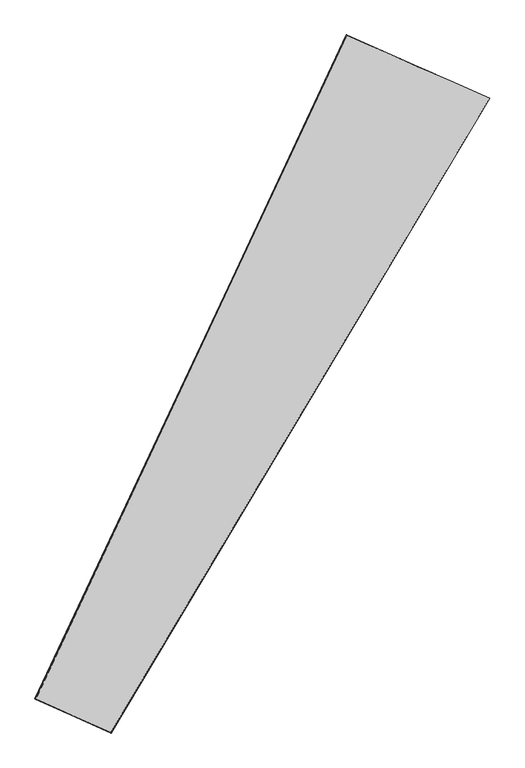
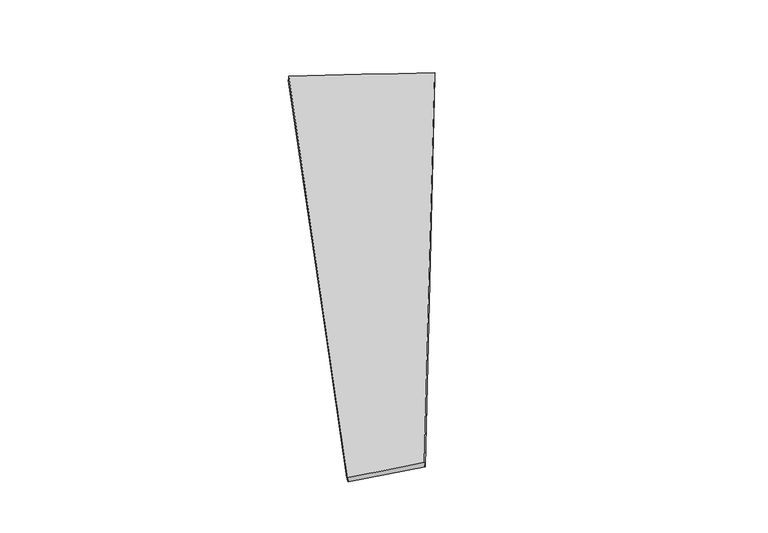
"""IFC4 building model written with IfcOpenShell, lengths in millimetres: proxy geometry."""

from ifc_helpers import new_model, si_unit, origin, place, context, project, spatial, source, transform, mapped, element, save
from ifc_brep_helpers import spline_surface, advanced_brep


def generic_models_611950ac(model_context):
    return source(origin(), model_context, "Body", "AdvancedBrep", [
        advanced_brep(
        [(-660.4907659, -1673.2432735, 38.9688433), (-657.8997631, -1675.3046963, 9.1521158), (1406.4214078, 1789.0233764, -50.6965886), (1407.3245691, 1789.0008443, -20.7101951), (-1067.6531074, -1490.9320926, -68.1937794), (625.5172887, 2133.9425116, -9.1901299), (-1074.0497961, -1488.4084162, -38.992522), (627.2159929, 2132.6508453, 20.7338738)],
        [
            (0, 1),
            (1, 2),
            (2, 3),
            (3, 0),
            (1, 4),
            (4, 5),
            (5, 2),
            (4, 6),
            (6, 7),
            (7, 5),
            (6, 0),
            (3, 7),
        ],
        [
            spline_surface(1, 1, [[(-660.4907659, -1673.2432735, 38.9688433), (1407.3245691, 1789.0008443, -20.7101951)], [(-657.8997631, -1675.3046963, 9.1521158), (1406.4214078, 1789.0233764, -50.6965886)]], [2, 2], [2, 2], [0.0, 1.0], [0.0, 1.0]),
            spline_surface(1, 1, [[(-657.8997631, -1675.3046963, 9.1521158), (1406.4214078, 1789.0233764, -50.6965886)], [(-1067.6531074, -1490.9320926, -68.1937794), (625.5172887, 2133.9425116, -9.1901299)]], [2, 2], [2, 2], [0.0, 1.0], [0.0, 1.0]),
            spline_surface(1, 1, [[(-1067.6531074, -1490.9320926, -68.1937794), (625.5172887, 2133.9425116, -9.1901299)], [(-1074.0497961, -1488.4084162, -38.992522), (627.2159929, 2132.6508453, 20.7338738)]], [2, 2], [2, 2], [0.0, 1.0], [0.0, 1.0]),
            spline_surface(1, 1, [[(-1074.0497961, -1488.4084162, -38.992522), (627.2159929, 2132.6508453, 20.7338738)], [(-660.4907659, -1673.2432735, 38.9688433), (1407.3245691, 1789.0008443, -20.7101951)]], [2, 2], [2, 2], [0.0, 1.0], [0.0, 1.0]),
            spline_surface(1, 1, [[(1406.4214078, 1789.0233764, -50.6965886), (1407.3245691, 1789.0008443, -20.7101951)], [(625.5172887, 2133.9425116, -9.1901299), (627.2159929, 2132.6508453, 20.7338738)]], [2, 2], [2, 2], [0.0, 1.0], [0.0, 1.0]),
            spline_surface(1, 1, [[(-1074.0497961, -1488.4084162, -38.992522), (-660.4907659, -1673.2432735, 38.9688433)], [(-1067.6531074, -1490.9320926, -68.1937794), (-657.8997631, -1675.3046963, 9.1521158)]], [2, 2], [2, 2], [0.0, 1.0], [0.0, 1.0]),
        ],
        [
            (0, [[1, 2, 3, 4]]),
            (1, [[5, 6, 7, -2]]),
            (2, [[8, 9, 10, -6]]),
            (3, [[11, -4, 12, -9]]),
            (4, [[-3, -7, -10, -12]]),
            (5, [[-11, -8, -5, -1]]),
        ],
    ),
    ])


if __name__ == "__main__":
    model = new_model("IFC4")
    model_context = context("Model", 3, world=origin())
    ifc_project = project(units=[si_unit("LENGTHUNIT", "METRE", prefix="MILLI")], contexts=[model_context])
    site = spatial("IfcSite", under=ifc_project)
    building = spatial("IfcBuilding", under=site)
    placement = place(None, origin())
    generic_models_shape = generic_models_611950ac(model_context)
    element("IfcBuildingElementProxy", 1, Name="Generic Models", at=placement, inside=building, context=model_context, shape_type="MappedRepresentation", body=[
        mapped(generic_models_shape, transform((0.0, 0.0, 0.0), x_axis=(1.0, 0.0, 0.0), y_axis=(0.0, 1.0, 0.0), z_axis=(0.0, 0.0, 1.0))),
    ])
    save(model, "model.ifc")
